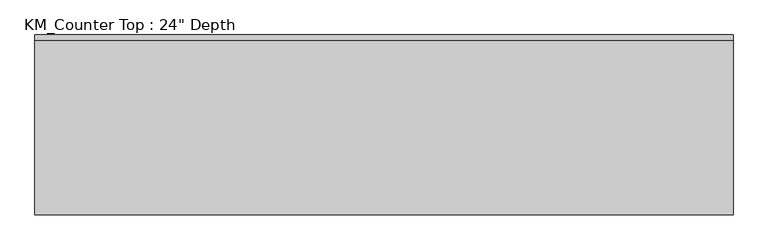
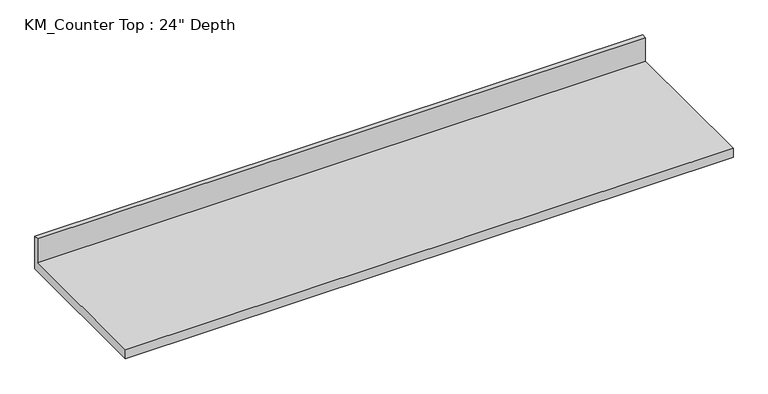
"""IFC4 building model written with IfcOpenShell, lengths in millimetres: furniture geometry."""

import ifcopenshell
import ifcopenshell.guid

model = None  # the IFC model being written
_history = None  # IfcOwnerHistory: only IFC2X3 demands one
_inside = {}  # id of a spatial element -> (the spatial element, [elements in it])
_under = {}  # id of a project, library or spatial element -> (it, [spatial elements below it])
_declared = {}  # id of a project -> (the project, [libraries it declares])
_typed = {}  # id of a type object -> (the type object, [elements of that type])
_made_of = {}  # id of a material, layer set ... -> (it, [elements and type objects made of it])


def new_model(schema):
    """Start an empty IFC model of exactly this schema.

    Asked for "IFC4X3", IfcOpenShell would pick the latest addendum, in which some entities
    have other attributes; the version numbers below select the first issue.
    IFC2X3 requires an IfcOwnerHistory on every rooted entity: one is made here for all.
    """
    global model, _history
    if schema == "IFC4X3":
        model = ifcopenshell.file(schema_version=(4, 3, 0, 0))
    else:
        model = ifcopenshell.file(schema=schema)
    _inside.clear()
    _under.clear()
    _declared.clear()
    _typed.clear()
    _made_of.clear()
    _history = None
    if model.schema == "IFC2X3":
        org = make("IfcOrganization", Name="unknown")
        user = make(
            "IfcPersonAndOrganization",
            ThePerson=make("IfcPerson", FamilyName="unknown"),
            TheOrganization=org,
        )
        app = make(
            "IfcApplication",
            ApplicationDeveloper=org,
            Version="unknown",
            ApplicationFullName="unknown",
            ApplicationIdentifier="unknown",
        )
        _history = make(
            "IfcOwnerHistory",
            OwningUser=user,
            OwningApplication=app,
            ChangeAction="ADDED",
            CreationDate=0,
        )
    return model


def make(cls, **values):
    """One entity of the class cls with the attributes given. An attribute that is None is left unset."""
    return model.create_entity(
        cls, **{name: value for name, value in values.items() if value is not None}
    )


def rooted(cls, **values):
    """An entity with a GlobalId (a new one), such as an element, a storey or a relation."""
    return make(cls, GlobalId=ifcopenshell.guid.new(), OwnerHistory=_history, **values)


def si_unit(unit_type, name, prefix=None):
    """IfcSIUnit, for example si_unit("LENGTHUNIT", "METRE", prefix="MILLI")."""
    return make("IfcSIUnit", UnitType=unit_type, Prefix=prefix, Name=name)


def assignment(units):
    """IfcUnitAssignment: the units of a project."""
    return None if units is None else make("IfcUnitAssignment", Units=units)


def point(xyz):
    """IfcCartesianPoint."""
    return None if xyz is None else make("IfcCartesianPoint", Coordinates=xyz)


def direction(xyz):
    """IfcDirection."""
    return None if xyz is None else make("IfcDirection", DirectionRatios=xyz)


def frame(location, z_axis=None, x_axis=None):
    """IfcAxis2Placement3D, a coordinate frame: its origin and axes. An axis left out is left unset."""
    return make(
        "IfcAxis2Placement3D",
        Location=point(location),
        Axis=direction(z_axis),
        RefDirection=direction(x_axis),
    )


def origin():
    """The frame at (0, 0, 0) with its axes left unset."""
    return frame((0.0, 0.0, 0.0))


def place(relative_to, where):
    """IfcLocalPlacement: puts the frame where relative to a parent placement (None: the world)."""
    return make(
        "IfcLocalPlacement", PlacementRelTo=relative_to, RelativePlacement=where
    )


def context(
    kind, dimensions, precision=None, world=None, true_north=None, identifier=None
):
    """IfcGeometricRepresentationContext, for example the 3D "Model" context."""
    return make(
        "IfcGeometricRepresentationContext",
        ContextIdentifier=identifier,
        ContextType=kind,
        CoordinateSpaceDimension=dimensions,
        Precision=precision,
        WorldCoordinateSystem=world,
        TrueNorth=true_north,
    )


def project(units=None, contexts=None):
    """IfcProject with its units and contexts."""
    return rooted(
        "IfcProject",
        Name="project",
        RepresentationContexts=contexts,
        UnitsInContext=assignment(units),
    )


def spatial(cls, under=None, at=None, **own):
    """A site, building, storey or space (cls), placed at a placement, below another one or the project."""
    s = rooted(cls, ObjectPlacement=at, **own)
    if under is not None:
        _under.setdefault(under.id(), (under, []))[1].append(s)
    return s


def polyline(points):
    """IfcPolyline through the points."""
    return make("IfcPolyline", Points=[point(p) for p in points])


def outline(outer, holes=None, kind="AREA"):
    """IfcArbitraryClosedProfileDef: a profile drawn as a closed curve; with holes, ...WithVoids."""
    if holes is None:
        return make("IfcArbitraryClosedProfileDef", ProfileType=kind, OuterCurve=outer)
    return make(
        "IfcArbitraryProfileDefWithVoids",
        ProfileType=kind,
        OuterCurve=outer,
        InnerCurves=holes,
    )


def extrude(swept, where, along, depth):
    """IfcExtrudedAreaSolid: the profile swept, set in the frame where, extruded along a direction by depth."""
    return make(
        "IfcExtrudedAreaSolid",
        SweptArea=swept,
        Position=where,
        ExtrudedDirection=direction(along),
        Depth=depth,
    )


def shape(context_of_items, identifier, shape_type, items):
    """IfcShapeRepresentation: the items that make up one representation, for example the "Body"."""
    return make(
        "IfcShapeRepresentation",
        ContextOfItems=context_of_items,
        RepresentationIdentifier=identifier,
        RepresentationType=shape_type,
        Items=items,
    )


def source(mapping_origin, context_of_items, identifier, shape_type, items):
    """IfcRepresentationMap: a shape defined once, which mapped items show again and again."""
    return make(
        "IfcRepresentationMap",
        MappingOrigin=mapping_origin,
        MappedRepresentation=shape(context_of_items, identifier, shape_type, items),
    )


def transform(
    local_origin,
    x_axis=None,
    y_axis=None,
    z_axis=None,
    scale=None,
    scale2=None,
    scale3=None,
    uniform=True,
):
    """IfcCartesianTransformationOperator3D, or its non-uniform kind. x_axis, y_axis, z_axis: its Axis1, 2, 3."""
    if uniform:
        return make(
            "IfcCartesianTransformationOperator3D",
            Axis1=direction(x_axis),
            Axis2=direction(y_axis),
            LocalOrigin=point(local_origin),
            Scale=scale,
            Axis3=direction(z_axis),
        )
    return make(
        "IfcCartesianTransformationOperator3DnonUniform",
        Axis1=direction(x_axis),
        Axis2=direction(y_axis),
        LocalOrigin=point(local_origin),
        Scale=scale,
        Axis3=direction(z_axis),
        Scale2=scale2,
        Scale3=scale3,
    )


def mapped(mapping_source, mapping_target):
    """IfcMappedItem: shows the shape of a source again, moved by a transform."""
    return make(
        "IfcMappedItem", MappingSource=mapping_source, MappingTarget=mapping_target
    )


def made_of(thing, what):
    """Note that an element or type object is made of a material, layer set ...; save() writes the relation."""
    if what is not None:
        _made_of.setdefault(what.id(), (what, []))[1].append(thing)
    return thing


def element(
    cls,
    number,
    at=None,
    inside=None,
    cuts=None,
    type_object=None,
    material=None,
    context=None,
    identifier="Body",
    shape_type=None,
    held_by="IfcProductDefinitionShape",
    body=None,
    shapes=None,
    **own,
):
    """One element of the class cls, such as IfcWall. Its Tag is "e" and its number.

    at: its placement. inside: the storey or other place that contains it. cuts: it is an
    opening in that element (IfcRelVoidsElement). A single representation is given by context,
    identifier, shape_type and body (its items); several are given by shapes. held_by: the class
    of the entity that holds the representations. save() writes the other relations.
    """
    e = rooted(cls, Tag="e%d" % number, ObjectPlacement=at, **own)
    if body is not None:
        shapes = [shape(context, identifier, shape_type, body)]
    if shapes is not None:
        e.Representation = make(held_by, Representations=shapes)
    if inside is not None:
        _inside.setdefault(inside.id(), (inside, []))[1].append(e)
    if cuts is not None:
        rooted(
            "IfcRelVoidsElement", RelatingBuildingElement=cuts, RelatedOpeningElement=e
        )
    if type_object is not None:
        _typed.setdefault(type_object.id(), (type_object, []))[1].append(e)
    return made_of(e, material)


def aggregate(whole, parts):
    """IfcRelAggregates: a whole, such as a stair, and the parts it consists of."""
    return rooted("IfcRelAggregates", RelatingObject=whole, RelatedObjects=parts)


def save(model, path):
    """Write the relations noted so far, then the file.

    IfcRelAggregates (storeys below a building ...), IfcRelContainedInSpatialStructure (elements
    in a storey), IfcRelDefinesByType, IfcRelAssociatesMaterial and IfcRelDeclares: one each for
    every whole, place, type object, material and project.
    """
    for whole, parts in _under.values():
        aggregate(whole, parts)
    for where, things in _inside.values():
        rooted(
            "IfcRelContainedInSpatialStructure",
            RelatedElements=things,
            RelatingStructure=where,
        )
    for kind, things in _typed.values():
        rooted("IfcRelDefinesByType", RelatedObjects=things, RelatingType=kind)
    for what, things in _made_of.values():
        rooted("IfcRelAssociatesMaterial", RelatedObjects=things, RelatingMaterial=what)
    for by, libraries in _declared.values():
        rooted("IfcRelDeclares", RelatingContext=by, RelatedDefinitions=libraries)
    model.write(path)


def furniture_3ecb87f3(model_context):
    return source(origin(), model_context, "Body", "SweptSolid", [
        extrude(outline(polyline([(0.0, 965.2), (0.0, 825.5), (-635.0, 825.5), (-635.0, 863.6), (-19.05, 863.6), (-19.05, 965.2), (0.0, 965.2)])), frame((-1200.4622951, 0.0, 0.0), z_axis=(1.0, 0.0, 0.0), x_axis=(0.0, 1.0, 0.0)), (0.0, 0.0, 1.0), 2463.8),
    ])


if __name__ == "__main__":
    model = new_model("IFC4")
    model_context = context("Model", 3, world=origin())
    ifc_project = project(units=[si_unit("LENGTHUNIT", "METRE", prefix="MILLI")], contexts=[model_context])
    site = spatial("IfcSite", under=ifc_project)
    building = spatial("IfcBuilding", under=site)
    placement = place(None, origin())
    furniture_shape = furniture_3ecb87f3(model_context)
    element("IfcFurniture", 1, ObjectType="KM_Counter Top : 24\" Depth", at=placement, inside=building, context=model_context, shape_type="MappedRepresentation", body=[
        mapped(furniture_shape, transform((0.0, 0.0, 0.0), x_axis=(1.0, 0.0, 0.0), y_axis=(0.0, 1.0, 0.0), z_axis=(0.0, 0.0, 1.0))),
    ])
    save(model, "model.ifc")
